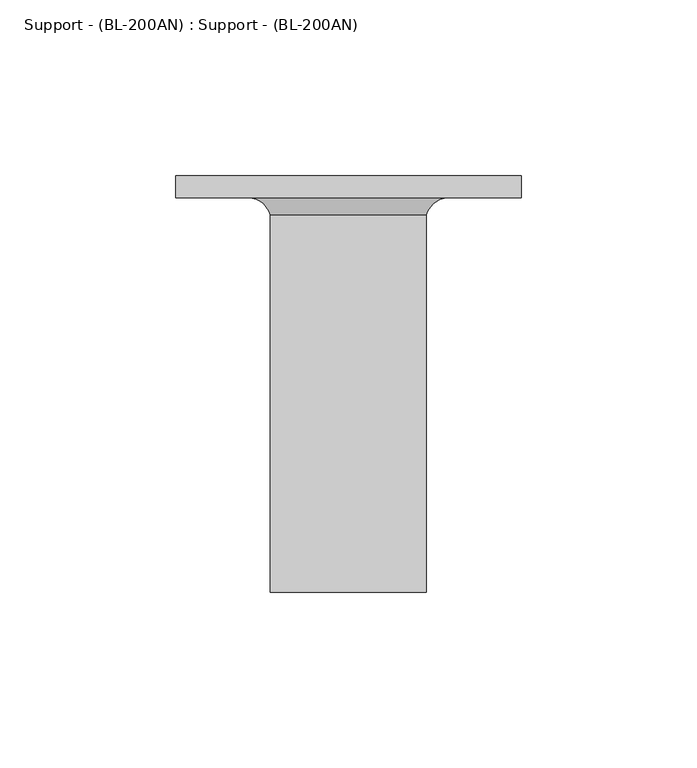
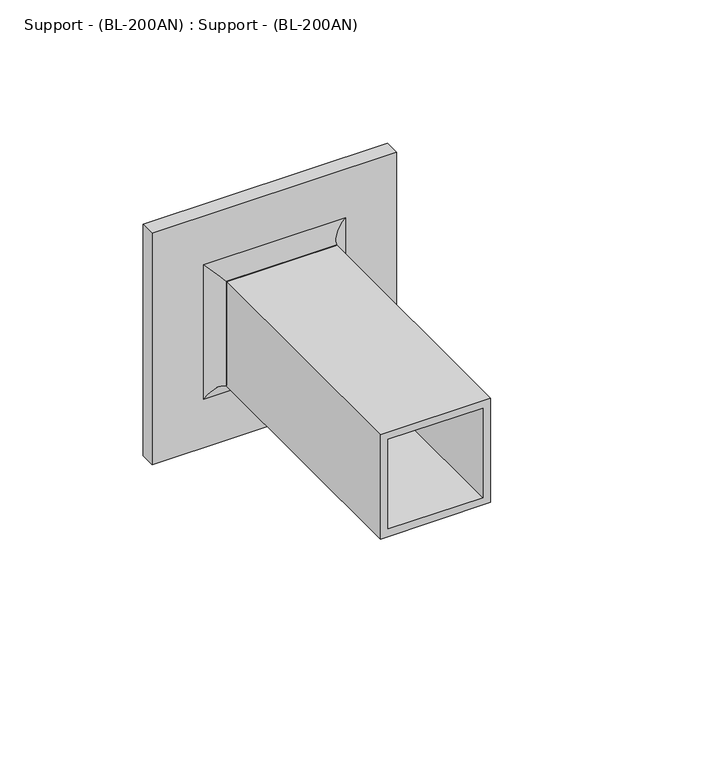
"""IFC4 building model written with IfcOpenShell, lengths in millimetres: proxy geometry, Support - (BL-200AN) : Support - (BL-200AN)."""

from ifc_helpers import new_model, si_unit, frame, origin, place, context, project, spatial, polyline, ellipse_curve, outline, extrude, source, transform, mapped, element, save
from ifc_brep_helpers import plane_surface, revolved_surface, advanced_brep


def support_bl_200an_support_bl_200an_8ab50fd1(model_context):
    return source(origin(), model_context, "Body", "SolidModel", [
        advanced_brep(
        [(22.225, 82.1978796, 25.9953125), (28.575, 86.9603796, 19.6453125), (28.575, 86.9603796, 76.7953125), (22.225, 82.1978796, 70.4453125), (19.05, 86.9603796, 29.1703125), (19.05, 82.1978796, 29.1703125), (19.05, 82.1978796, 67.2703125), (19.05, 86.9603796, 67.2703125), (-28.575, 86.9603796, 76.7953125), (-22.225, 82.1978796, 70.4453125), (-19.05, 82.1978796, 67.2703125), (-19.05, 86.9603796, 67.2703125), (-28.575, 86.9603796, 19.6453125), (-22.225, 82.1978796, 25.9953125), (-19.05, 82.1978796, 29.1703125), (-19.05, 86.9603796, 29.1703125)],
        [
            (0, 1, ellipse_curve(frame((28.575, 80.3457962, 19.6453125), z_axis=(-0.7071067811865476, 0.0, -0.7071067811865475), x_axis=(-0.7071067811865474, 0.0, 0.7071067811865476)), 9.3544335, 6.6145833)),
            (1, 2),
            (2, 3, ellipse_curve(frame((28.575, 80.3457962, 76.7953125), z_axis=(-0.7071067811865472, 0.0, 0.7071067811865478), x_axis=(0.7071067811865478, 0.0, 0.7071067811865472)), 9.3544335, 6.6145833)),
            (3, 0),
            (4, 5),
            (5, 6),
            (6, 7),
            (7, 4),
            (2, 8),
            (8, 9, ellipse_curve(frame((-28.575, 80.3457962, 76.7953125), z_axis=(-0.7071067811865478, 0.0, -0.7071067811865474), x_axis=(-0.7071067811865471, 0.0, 0.7071067811865479)), 9.3544335, 6.6145833)),
            (9, 3),
            (6, 10),
            (10, 11),
            (11, 7),
            (8, 12),
            (12, 13, ellipse_curve(frame((-28.575, 80.3457962, 19.6453125), z_axis=(0.7071067811865475, 0.0, -0.7071067811865476), x_axis=(-0.7071067811865476, 0.0, -0.7071067811865475)), 9.3544335, 6.6145833)),
            (13, 9),
            (10, 14),
            (14, 15),
            (15, 11),
            (1, 12),
            (15, 4),
            (0, 13),
            (5, 14),
        ],
        [
            revolved_surface(polyline([(28.575, 73.7312129, 83.40989586200861), (28.575, 73.7312129, 13.030729137991388)]), (28.575, 80.3457962, 25.9953125), (0.0, 0.0, 1.0)),
            plane_surface(frame((19.05, 82.1978796, 29.1703125), z_axis=(-1.0, 0.0, 0.0), x_axis=(0.0, 0.0, 1.0))),
            revolved_surface(polyline([(-35.189583362008605, 73.7312129, 76.7953125), (35.18958336200861, 73.7312129, 76.7953125)]), (22.225, 80.3457962, 76.7953125), (-1.0, 0.0, 0.0)),
            plane_surface(frame((19.05, 82.1978796, 67.2703125), z_axis=(0.0, 0.0, -1.0), x_axis=(-1.0, 0.0, 0.0))),
            revolved_surface(polyline([(-28.575, 73.7312129, 13.030729137991393), (-28.575, 73.7312129, 83.40989586200861)]), (-28.575, 80.3457962, 70.4453125), (0.0, 0.0, -1.0)),
            plane_surface(frame((-19.05, 82.1978796, 67.2703125), z_axis=(1.0, 0.0, 0.0), x_axis=(0.0, 0.0, -1.0))),
            plane_surface(frame((-19.05, 86.9603796, 29.1703125), z_axis=(0.0, 1.0, 0.0), x_axis=(1.0, 0.0, 0.0))),
            revolved_surface(polyline([(35.189583362008605, 73.7312129, 19.6453125), (-35.18958336200861, 73.7312129, 19.6453125)]), (-22.225, 80.3457962, 19.6453125), (1.0, 0.0, 0.0)),
            plane_surface(frame((-22.225, 82.1978796, 25.9953125), z_axis=(0.0, -1.0, 0.0), x_axis=(1.0, 0.0, 0.0))),
            plane_surface(frame((-19.05, 82.1978796, 29.1703125), z_axis=(0.0, 0.0, 1.0), x_axis=(1.0, 0.0, 0.0))),
        ],
        [
            (0, [[1, 2, 3, 4]]),
            (1, [[5, 6, 7, 8]]),
            (2, [[-3, 9, 10, 11]]),
            (3, [[-7, 12, 13, 14]]),
            (4, [[-10, 15, 16, 17]]),
            (5, [[-13, 18, 19, 20]]),
            (6, [[21, -15, -9, -2], [-14, -20, 22, -8]]),
            (7, [[-16, -21, -1, 23]]),
            (8, [[-11, -17, -23, -4], [24, -18, -12, -6]]),
            (9, [[-19, -24, -5, -22]]),
        ],
    ),
        extrude(outline(polyline([(25.9953125, 22.225), (70.4453125, 22.225), (70.4453125, -22.225), (25.9953125, -22.225), (25.9953125, 22.225)]), holes=[polyline([(29.1703125, 19.05), (29.1703125, -19.0745771), (67.2703125, -19.0745771), (67.2703125, 19.05), (29.1703125, 19.05)])]), frame((0.0, -25.4, 0.0), z_axis=(0.0, 1.0, 0.0), x_axis=(0.0, 0.0, 1.0)), (0.0, 0.0, 1.0), 107.5978796),
        extrude(outline(polyline([(49.2125, 93.3103796), (49.2125, 86.9603796), (-49.2125, 86.9603796), (-49.2125, 93.3103796), (49.2125, 93.3103796)])), frame((0.0, 0.0, -0.9921875), z_axis=(0.0, 0.0, 1.0), x_axis=(1.0, 0.0, 0.0)), (0.0, 0.0, 1.0), 98.425),
    ])


if __name__ == "__main__":
    model = new_model("IFC4")
    model_context = context("Model", 3, world=origin())
    ifc_project = project(units=[si_unit("LENGTHUNIT", "METRE", prefix="MILLI")], contexts=[model_context])
    site = spatial("IfcSite", under=ifc_project)
    building = spatial("IfcBuilding", under=site)
    placement = place(None, origin())
    support_bl_200an_support_bl_200an_shape = support_bl_200an_support_bl_200an_8ab50fd1(model_context)
    element("IfcBuildingElementProxy", 1, Name="Support - (BL-200AN) : Support - (BL-200AN)", ObjectType="Support - (BL-200AN) : Support - (BL-200AN)", at=placement, inside=building, context=model_context, shape_type="MappedRepresentation", body=[
        mapped(support_bl_200an_support_bl_200an_shape, transform((0.0, 0.0, 0.0), x_axis=(1.0, 0.0, 0.0), y_axis=(0.0, 1.0, 0.0), z_axis=(0.0, 0.0, 1.0))),
    ])
    save(model, "model.ifc")
